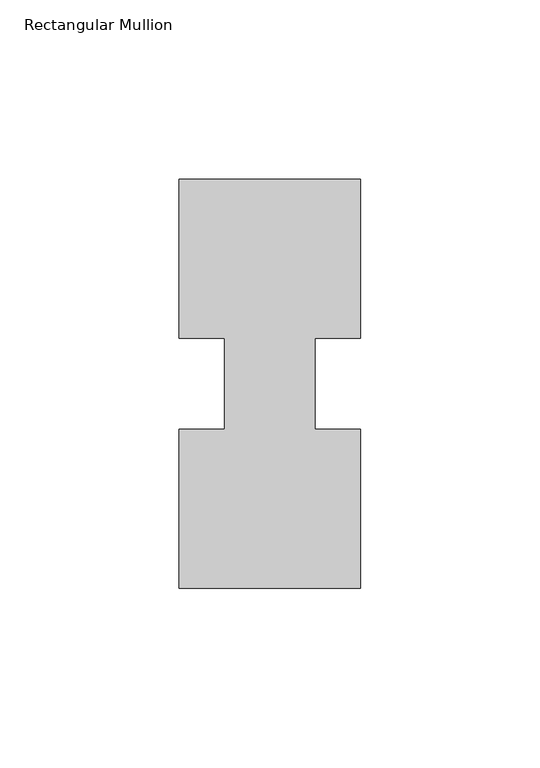
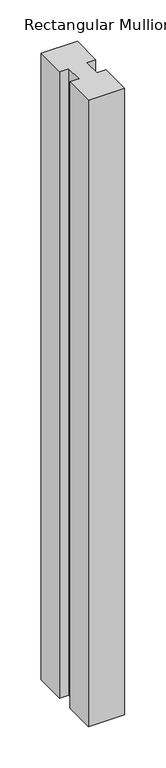
"""IFC4 building model written with IfcOpenShell, lengths in millimetres: member geometry, Rectangular Mullion."""

from ifc_helpers import new_model, si_unit, frame, origin, place, context, project, spatial, polyline, outline, extrude, source, transform, mapped, element, save


def rectangular_mullion_96beeaf9(model_context):
    return source(origin(), model_context, "Body", "SweptSolid", [
        extrude(outline(polyline([(29.7344027, 57.15), (29.7344027, 12.7), (17.0326322, 12.7), (17.0326322, -12.7), (29.7344027, -12.7), (29.7344027, -57.15), (-21.0655973, -57.15), (-21.0655973, -12.7), (-8.3655973, -12.7), (-8.3655973, 12.7), (-21.0655973, 12.7), (-21.0655973, 57.15), (29.7344027, 57.15)])), frame((0.0, 0.0, -925.9405973), z_axis=(0.0, 0.0, 1.0), x_axis=(1.0, 0.0, 0.0)), (0.0, 0.0, 1.0), 925.9405973),
    ])


if __name__ == "__main__":
    model = new_model("IFC4")
    model_context = context("Model", 3, world=origin())
    ifc_project = project(units=[si_unit("LENGTHUNIT", "METRE", prefix="MILLI")], contexts=[model_context])
    site = spatial("IfcSite", under=ifc_project)
    building = spatial("IfcBuilding", under=site)
    placement = place(None, origin())
    rectangular_mullion_shape = rectangular_mullion_96beeaf9(model_context)
    element("IfcMember", 1, ObjectType="Rectangular Mullion", at=placement, inside=building, context=model_context, shape_type="MappedRepresentation", body=[
        mapped(rectangular_mullion_shape, transform((0.0, 0.0, 0.0), x_axis=(1.0, 0.0, 0.0), y_axis=(0.0, 1.0, 0.0), z_axis=(0.0, 0.0, 1.0))),
    ])
    save(model, "model.ifc")
